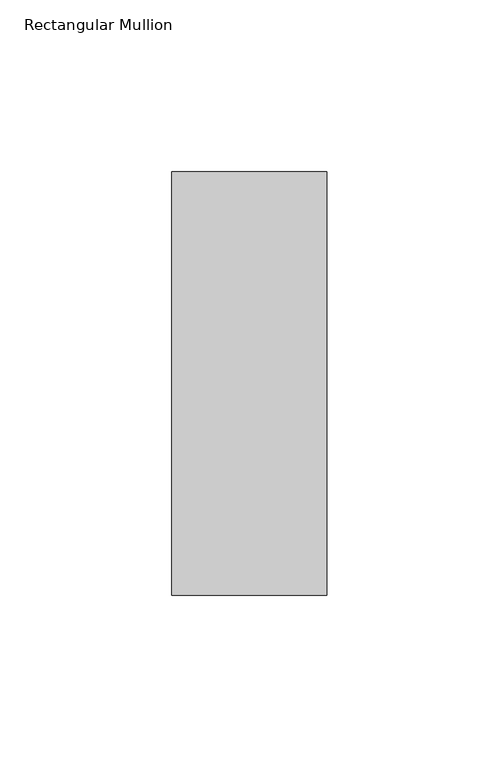
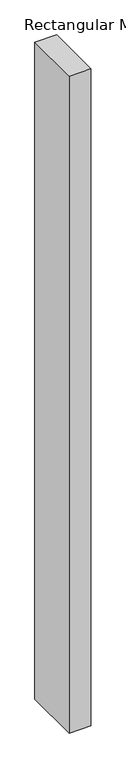
"""IFC4 building model written with IfcOpenShell, lengths in millimetres: member geometry, Rectangular Mullion."""

from ifc_helpers import new_model, si_unit, frame, origin, place, context, project, spatial, polyline, outline, extrude, source, transform, mapped, element, save


def rectangular_mullion_fbcf7df7(model_context):
    return source(origin(), model_context, "Body", "SweptSolid", [
        extrude(outline(polyline([(0.0, 77.05), (0.0, -46.05), (-45.0, -46.05), (-45.0, 77.05), (0.0, 77.05)])), frame((0.0, 0.0, -1440.5437978), z_axis=(0.0, 0.0, 1.0), x_axis=(1.0, 0.0, 0.0)), (0.0, 0.0, 1.0), 1440.5437978),
    ])


if __name__ == "__main__":
    model = new_model("IFC4")
    model_context = context("Model", 3, world=origin())
    ifc_project = project(units=[si_unit("LENGTHUNIT", "METRE", prefix="MILLI")], contexts=[model_context])
    site = spatial("IfcSite", under=ifc_project)
    building = spatial("IfcBuilding", under=site)
    placement = place(None, origin())
    rectangular_mullion_shape = rectangular_mullion_fbcf7df7(model_context)
    element("IfcMember", 1, ObjectType="Rectangular Mullion", at=placement, inside=building, context=model_context, shape_type="MappedRepresentation", body=[
        mapped(rectangular_mullion_shape, transform((0.0, 0.0, 0.0), x_axis=(1.0, 0.0, 0.0), y_axis=(0.0, 1.0, 0.0), z_axis=(0.0, 0.0, 1.0))),
    ])
    save(model, "model.ifc")
